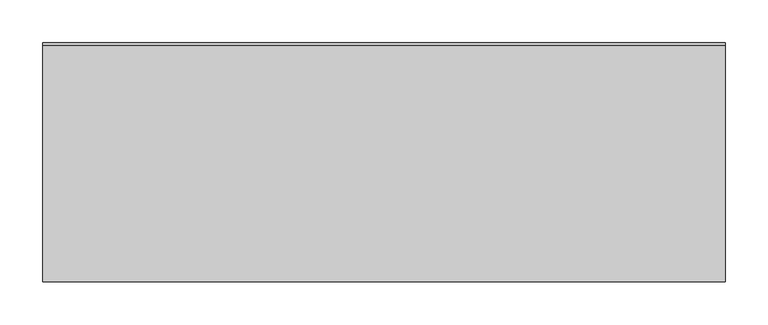
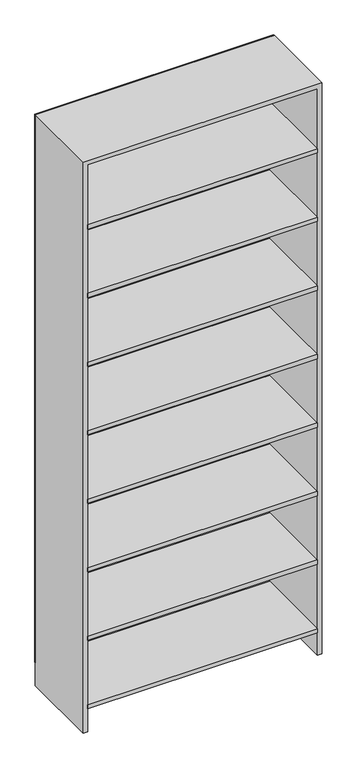
"""IFC4 building model written with IfcOpenShell, lengths in millimetres: proxy geometry."""

from ifc_helpers import new_model, si_unit, frame, origin, place, context, project, spatial, polyline, outline, extrude, source, transform, mapped, element, save


def generic_models_d8b492c3(model_context):
    return source(origin(), model_context, "Body", "SweptSolid", [
        extrude(outline(polyline([(385.0, 0.0), (385.0, -277.0), (-385.0, -277.0), (-385.0, 0.0), (385.0, 0.0)])), frame((0.0, 0.0, 1777.5), z_axis=(0.0, 0.0, 1.0), x_axis=(1.0, 0.0, 0.0)), (0.0, 0.0, 1.0), 15.0),
        extrude(outline(polyline([(385.0, 0.0), (385.0, -277.0), (-385.0, -277.0), (-385.0, 0.0), (385.0, 0.0)])), frame((0.0, 0.0, 1777.5), z_axis=(0.0, 0.0, 1.0), x_axis=(1.0, 0.0, 0.0)), (0.0, 0.0, 1.0), 15.0),
        extrude(outline(polyline([(385.0, 0.0), (385.0, -277.0), (-385.0, -277.0), (-385.0, 0.0), (385.0, 0.0)])), frame((0.0, 0.0, 1535.0), z_axis=(0.0, 0.0, 1.0), x_axis=(1.0, 0.0, 0.0)), (0.0, 0.0, 1.0), 15.0),
        extrude(outline(polyline([(385.0, 0.0), (385.0, -277.0), (-385.0, -277.0), (-385.0, 0.0), (385.0, 0.0)])), frame((0.0, 0.0, 1535.0), z_axis=(0.0, 0.0, 1.0), x_axis=(1.0, 0.0, 0.0)), (0.0, 0.0, 1.0), 15.0),
        extrude(outline(polyline([(385.0, 0.0), (385.0, -277.0), (-385.0, -277.0), (-385.0, 0.0), (385.0, 0.0)])), frame((0.0, 0.0, 1292.5), z_axis=(0.0, 0.0, 1.0), x_axis=(1.0, 0.0, 0.0)), (0.0, 0.0, 1.0), 15.0),
        extrude(outline(polyline([(385.0, 0.0), (385.0, -277.0), (-385.0, -277.0), (-385.0, 0.0), (385.0, 0.0)])), frame((0.0, 0.0, 1292.5), z_axis=(0.0, 0.0, 1.0), x_axis=(1.0, 0.0, 0.0)), (0.0, 0.0, 1.0), 15.0),
        extrude(outline(polyline([(385.0, 0.0), (385.0, -277.0), (-385.0, -277.0), (-385.0, 0.0), (385.0, 0.0)])), frame((0.0, 0.0, 1050.0), z_axis=(0.0, 0.0, 1.0), x_axis=(1.0, 0.0, 0.0)), (0.0, 0.0, 1.0), 15.0),
        extrude(outline(polyline([(385.0, 0.0), (385.0, -277.0), (-385.0, -277.0), (-385.0, 0.0), (385.0, 0.0)])), frame((0.0, 0.0, 1050.0), z_axis=(0.0, 0.0, 1.0), x_axis=(1.0, 0.0, 0.0)), (0.0, 0.0, 1.0), 15.0),
        extrude(outline(polyline([(385.0, 0.0), (385.0, -277.0), (-385.0, -277.0), (-385.0, 0.0), (385.0, 0.0)])), frame((0.0, 0.0, 807.5), z_axis=(0.0, 0.0, 1.0), x_axis=(1.0, 0.0, 0.0)), (0.0, 0.0, 1.0), 15.0),
        extrude(outline(polyline([(385.0, 0.0), (385.0, -277.0), (-385.0, -277.0), (-385.0, 0.0), (385.0, 0.0)])), frame((0.0, 0.0, 807.5), z_axis=(0.0, 0.0, 1.0), x_axis=(1.0, 0.0, 0.0)), (0.0, 0.0, 1.0), 15.0),
        extrude(outline(polyline([(385.0, 0.0), (385.0, -277.0), (-385.0, -277.0), (-385.0, 0.0), (385.0, 0.0)])), frame((0.0, 0.0, 565.0), z_axis=(0.0, 0.0, 1.0), x_axis=(1.0, 0.0, 0.0)), (0.0, 0.0, 1.0), 15.0),
        extrude(outline(polyline([(385.0, 0.0), (385.0, -277.0), (-385.0, -277.0), (-385.0, 0.0), (385.0, 0.0)])), frame((0.0, 0.0, 565.0), z_axis=(0.0, 0.0, 1.0), x_axis=(1.0, 0.0, 0.0)), (0.0, 0.0, 1.0), 15.0),
        extrude(outline(polyline([(385.0, 0.0), (385.0, -277.0), (-385.0, -277.0), (-385.0, 0.0), (385.0, 0.0)])), frame((0.0, 0.0, 322.5), z_axis=(0.0, 0.0, 1.0), x_axis=(1.0, 0.0, 0.0)), (0.0, 0.0, 1.0), 15.0),
        extrude(outline(polyline([(385.0, 0.0), (385.0, -277.0), (-385.0, -277.0), (-385.0, 0.0), (385.0, 0.0)])), frame((0.0, 0.0, 322.5), z_axis=(0.0, 0.0, 1.0), x_axis=(1.0, 0.0, 0.0)), (0.0, 0.0, 1.0), 15.0),
        extrude(outline(polyline([(385.0, 0.0), (385.0, -277.0), (-385.0, -277.0), (-385.0, 0.0), (385.0, 0.0)])), frame((0.0, 0.0, 80.0), z_axis=(0.0, 0.0, 1.0), x_axis=(1.0, 0.0, 0.0)), (0.0, 0.0, 1.0), 15.0),
        extrude(outline(polyline([(385.0, 0.0), (385.0, -277.0), (-385.0, -277.0), (-385.0, 0.0), (385.0, 0.0)])), frame((0.0, 0.0, 80.0), z_axis=(0.0, 0.0, 1.0), x_axis=(1.0, 0.0, 0.0)), (0.0, 0.0, 1.0), 15.0),
        extrude(outline(polyline([(400.0, 3.0), (400.0, 0.0), (-400.0, 0.0), (-400.0, 3.0), (400.0, 3.0)])), frame((0.0, 0.0, 80.0), z_axis=(0.0, 0.0, 1.0), x_axis=(1.0, 0.0, 0.0)), (0.0, 0.0, 1.0), 1940.0),
        extrude(outline(polyline([(0.0, -385.0), (2005.0, -385.0), (2005.0, 385.0), (0.0, 385.0), (0.0, 400.0), (2020.0, 400.0), (2020.0, -400.0), (0.0, -400.0), (0.0, -385.0)])), frame((0.0, -277.0, 0.0), z_axis=(0.0, 1.0, 0.0), x_axis=(0.0, 0.0, 1.0)), (0.0, 0.0, 1.0), 277.0),
    ])


if __name__ == "__main__":
    model = new_model("IFC4")
    model_context = context("Model", 3, world=origin())
    ifc_project = project(units=[si_unit("LENGTHUNIT", "METRE", prefix="MILLI")], contexts=[model_context])
    site = spatial("IfcSite", under=ifc_project)
    building = spatial("IfcBuilding", under=site)
    placement = place(None, origin())
    generic_models_shape = generic_models_d8b492c3(model_context)
    element("IfcBuildingElementProxy", 1, Name="Generic Models", at=placement, inside=building, context=model_context, shape_type="MappedRepresentation", body=[
        mapped(generic_models_shape, transform((0.0, 0.0, 0.0), x_axis=(1.0, 0.0, 0.0), y_axis=(0.0, 1.0, 0.0), z_axis=(0.0, 0.0, 1.0))),
    ])
    save(model, "model.ifc")
